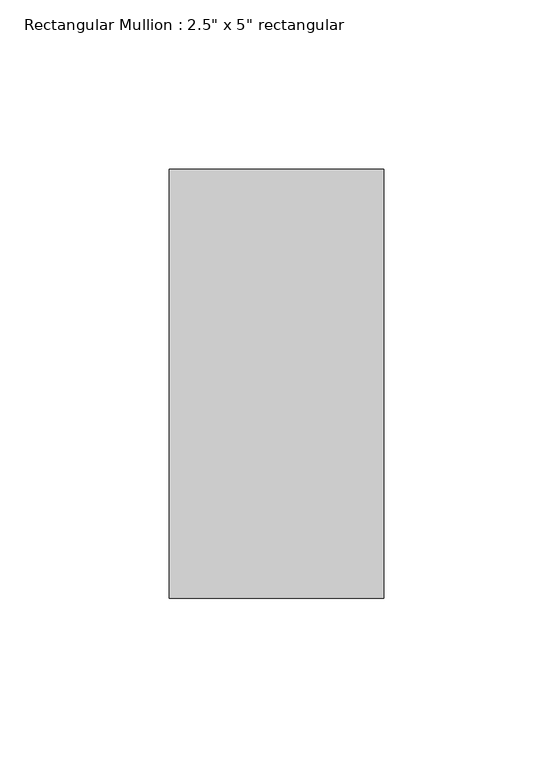
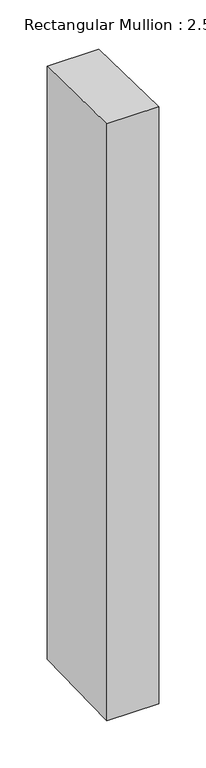
"""IFC4 building model written with IfcOpenShell, lengths in millimetres: member geometry."""

from ifc_helpers import new_model, si_unit, frame, origin, place, context, project, spatial, polyline, outline, extrude, source, transform, mapped, element, save


def member_0b3e0aca(model_context):
    return source(origin(), model_context, "Body", "SweptSolid", [
        extrude(outline(polyline([(-63.5, 1.3263501), (63.5, -1.3263501), (63.5, -769.7968597), (-63.5, -772.3960259), (-63.5, 1.3263501)])), frame((-31.75, 0.0, 0.0), z_axis=(1.0, 0.0, 0.0), x_axis=(0.0, 1.0, 0.0)), (0.0, 0.0, 1.0), 63.5),
    ])


if __name__ == "__main__":
    model = new_model("IFC4")
    model_context = context("Model", 3, world=origin())
    ifc_project = project(units=[si_unit("LENGTHUNIT", "METRE", prefix="MILLI")], contexts=[model_context])
    site = spatial("IfcSite", under=ifc_project)
    building = spatial("IfcBuilding", under=site)
    placement = place(None, origin())
    member_shape = member_0b3e0aca(model_context)
    element("IfcMember", 1, ObjectType="Rectangular Mullion : 2.5\" x 5\" rectangular", at=placement, inside=building, context=model_context, shape_type="MappedRepresentation", body=[
        mapped(member_shape, transform((0.0, 0.0, 0.0), x_axis=(1.0, 0.0, 0.0), y_axis=(0.0, 1.0, 0.0), z_axis=(0.0, 0.0, 1.0))),
    ])
    save(model, "model.ifc")
